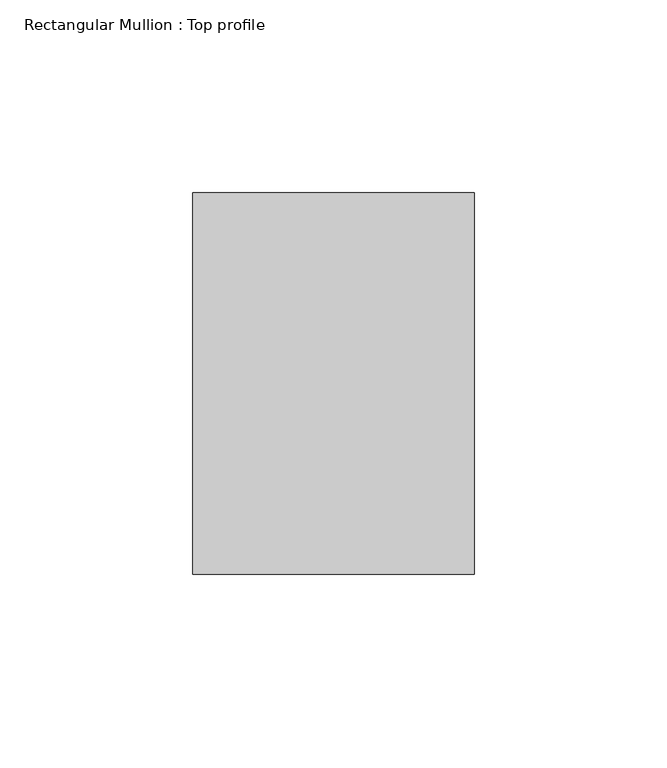
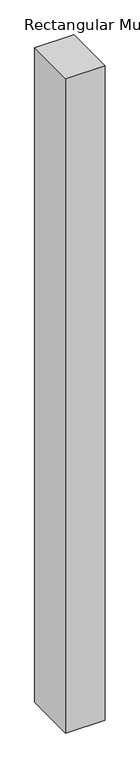
"""IFC4 building model written with IfcOpenShell, lengths in millimetres: member geometry, Rectangular Mullion : Top profile."""

from ifc_helpers import new_model, si_unit, frame, origin, place, context, project, spatial, polyline, outline, extrude, source, transform, mapped, element, save


def rectangular_mullion_top_profile_2b4e43a1(model_context):
    return source(origin(), model_context, "Body", "SweptSolid", [
        extrude(outline(polyline([(-73.0, 49.5), (0.0, 49.5), (0.0, -49.5), (-73.0, -49.5), (-73.0, 49.5)])), frame((0.0, 0.0, -1280.0), z_axis=(0.0, 0.0, 1.0), x_axis=(1.0, 0.0, 0.0)), (0.0, 0.0, 1.0), 1280.0),
    ])


if __name__ == "__main__":
    model = new_model("IFC4")
    model_context = context("Model", 3, world=origin())
    ifc_project = project(units=[si_unit("LENGTHUNIT", "METRE", prefix="MILLI")], contexts=[model_context])
    site = spatial("IfcSite", under=ifc_project)
    building = spatial("IfcBuilding", under=site)
    placement = place(None, origin())
    rectangular_mullion_top_profile_shape = rectangular_mullion_top_profile_2b4e43a1(model_context)
    element("IfcMember", 1, ObjectType="Rectangular Mullion : Top profile", at=placement, inside=building, context=model_context, shape_type="MappedRepresentation", body=[
        mapped(rectangular_mullion_top_profile_shape, transform((0.0, 0.0, 0.0), x_axis=(1.0, 0.0, 0.0), y_axis=(0.0, 1.0, 0.0), z_axis=(0.0, 0.0, 1.0))),
    ])
    save(model, "model.ifc")
